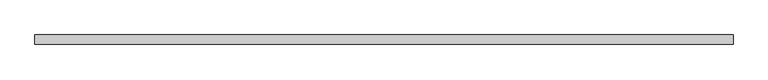
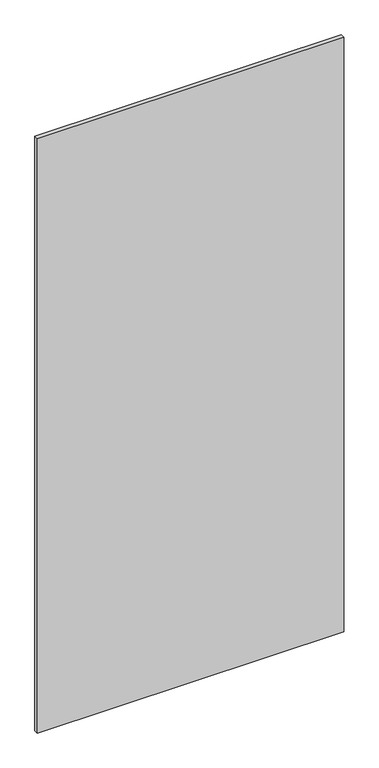
"""IFC4 building model written with IfcOpenShell, lengths in millimetres: plate geometry."""

from ifc_helpers import new_model, si_unit, origin, origin_with_axes, place, context, project, spatial, polyline, outline, extrude, source, transform, mapped, element, save


def plate_c5dedf64(model_context):
    return source(origin(), model_context, "Body", "SweptSolid", [
        extrude(outline(polyline([(915.0000002, 24.5), (-915.0000002, 24.5), (-915.0000002, 49.5), (915.0000002, 49.5), (915.0000002, 24.5)])), origin_with_axes(), (0.0, 0.0, 1.0), 3750.0),
    ])


if __name__ == "__main__":
    model = new_model("IFC4")
    model_context = context("Model", 3, world=origin())
    ifc_project = project(units=[si_unit("LENGTHUNIT", "METRE", prefix="MILLI")], contexts=[model_context])
    site = spatial("IfcSite", under=ifc_project)
    building = spatial("IfcBuilding", under=site)
    placement = place(None, origin())
    plate_shape = plate_c5dedf64(model_context)
    element("IfcPlate", 1, at=placement, inside=building, context=model_context, shape_type="MappedRepresentation", body=[
        mapped(plate_shape, transform((0.0, 0.0, 0.0), x_axis=(1.0, 0.0, 0.0), y_axis=(0.0, 1.0, 0.0), z_axis=(0.0, 0.0, 1.0))),
    ])
    save(model, "model.ifc")
